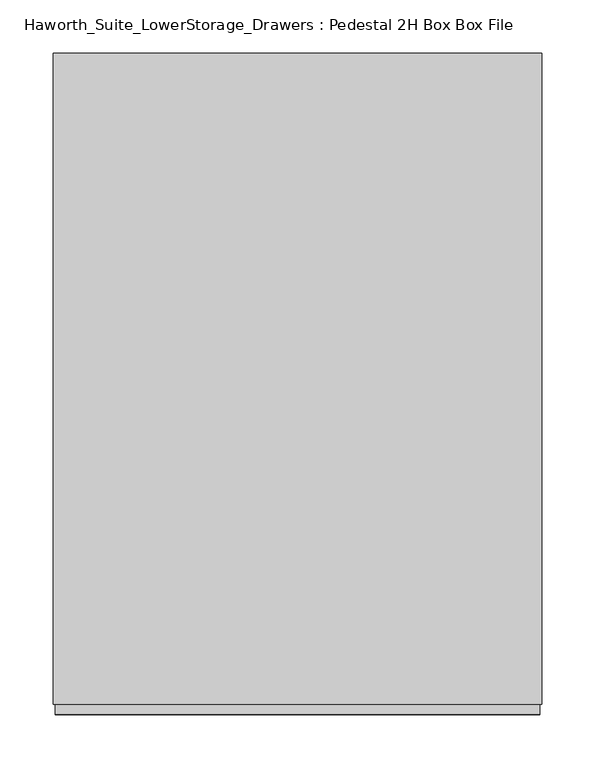
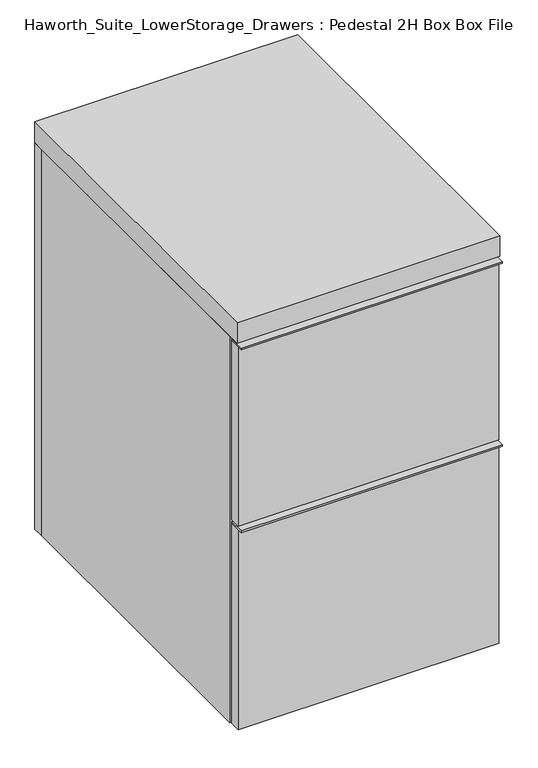
"""IFC4 building model written with IfcOpenShell, lengths in millimetres: furniture geometry, Haworth_Suite_LowerStorage_Drawers : Pedestal 2H Box Box File."""

from ifc_helpers import new_model, si_unit, frame, origin, origin_with_axes, place, context, project, spatial, polyline, outline, extrude, source, transform, mapped, element, save


def haworth_suite_lowerstorage_drawers_pedestal_2h_box_box_file_8ae85c01(model_context):
    return source(origin(), model_context, "Body", "SweptSolid", [
        extrude(outline(polyline([(214.3125, -631.825), (-239.7125, -631.825), (-239.7125, -603.25), (214.3125, -603.25), (214.3125, -631.825)])), frame((0.0, 0.0, 704.85), z_axis=(0.0, 0.0, 1.0), x_axis=(1.0, 0.0, 0.0)), (0.0, 0.0, 1.0), 3.175),
        extrude(outline(polyline([(214.3125, -603.25), (214.3125, -622.3), (-239.7125, -622.3), (-239.7125, -603.25), (214.3125, -603.25)])), frame((0.0, 0.0, 374.65), z_axis=(0.0, 0.0, 1.0), x_axis=(1.0, 0.0, 0.0)), (0.0, 0.0, 1.0), 330.2),
        extrude(outline(polyline([(214.3125, -631.825), (-239.7125, -631.825), (-239.7125, -603.25), (214.3125, -603.25), (214.3125, -631.825)])), frame((0.0, 0.0, 368.3), z_axis=(0.0, 0.0, 1.0), x_axis=(1.0, 0.0, 0.0)), (0.0, 0.0, 1.0), 3.175),
        extrude(outline(polyline([(214.3125, -603.25), (214.3125, -622.3), (-239.7125, -622.3), (-239.7125, -603.25), (214.3125, -603.25)])), origin_with_axes(), (0.0, 0.0, 1.0), 368.3),
        extrude(outline(polyline([(177.8, -587.375), (177.8, -206.375), (190.5, -206.375), (190.5, -587.375), (177.8, -587.375)])), frame((0.0, 0.0, 539.75), z_axis=(0.0, 0.0, 1.0), x_axis=(1.0, 0.0, 0.0)), (0.0, 0.0, 1.0), 101.6),
        extrude(outline(polyline([(-215.9, -206.375), (-203.2, -206.375), (-203.2, -587.375), (-215.9, -587.375), (-215.9, -206.375)])), frame((0.0, 0.0, 539.75), z_axis=(0.0, 0.0, 1.0), x_axis=(1.0, 0.0, 0.0)), (0.0, 0.0, 1.0), 101.6),
        extrude(outline(polyline([(-215.9, -206.375), (-215.9, -193.675), (190.5, -193.675), (190.5, -206.375), (-215.9, -206.375)])), frame((0.0, 0.0, 539.75), z_axis=(0.0, 0.0, 1.0), x_axis=(1.0, 0.0, 0.0)), (0.0, 0.0, 1.0), 101.6),
        extrude(outline(polyline([(-215.9, -600.075), (-215.9, -587.375), (190.5, -587.375), (190.5, -600.075), (-215.9, -600.075)])), frame((0.0, 0.0, 539.75), z_axis=(0.0, 0.0, 1.0), x_axis=(1.0, 0.0, 0.0)), (0.0, 0.0, 1.0), 101.6),
        extrude(outline(polyline([(-203.2, -587.375), (-203.2, -206.375), (177.8, -206.375), (177.8, -587.375), (-203.2, -587.375)])), frame((0.0, 0.0, 539.75), z_axis=(0.0, 0.0, 1.0), x_axis=(1.0, 0.0, 0.0)), (0.0, 0.0, 1.0), 12.7),
        extrude(outline(polyline([(177.8, -587.375), (177.8, -206.375), (190.5, -206.375), (190.5, -587.375), (177.8, -587.375)])), frame((0.0, 0.0, 374.65), z_axis=(0.0, 0.0, 1.0), x_axis=(1.0, 0.0, 0.0)), (0.0, 0.0, 1.0), 101.6),
        extrude(outline(polyline([(-215.9, -206.375), (-203.2, -206.375), (-203.2, -587.375), (-215.9, -587.375), (-215.9, -206.375)])), frame((0.0, 0.0, 374.65), z_axis=(0.0, 0.0, 1.0), x_axis=(1.0, 0.0, 0.0)), (0.0, 0.0, 1.0), 101.6),
        extrude(outline(polyline([(-215.9, -206.375), (-215.9, -193.675), (190.5, -193.675), (190.5, -206.375), (-215.9, -206.375)])), frame((0.0, 0.0, 374.65), z_axis=(0.0, 0.0, 1.0), x_axis=(1.0, 0.0, 0.0)), (0.0, 0.0, 1.0), 101.6),
        extrude(outline(polyline([(-215.9, -600.075), (-215.9, -587.375), (190.5, -587.375), (190.5, -600.075), (-215.9, -600.075)])), frame((0.0, 0.0, 374.65), z_axis=(0.0, 0.0, 1.0), x_axis=(1.0, 0.0, 0.0)), (0.0, 0.0, 1.0), 101.6),
        extrude(outline(polyline([(-203.2, -587.375), (-203.2, -206.375), (177.8, -206.375), (177.8, -587.375), (-203.2, -587.375)])), frame((0.0, 0.0, 374.65), z_axis=(0.0, 0.0, 1.0), x_axis=(1.0, 0.0, 0.0)), (0.0, 0.0, 1.0), 12.7),
        extrude(outline(polyline([(177.8, -587.375), (177.8, -206.375), (190.5, -206.375), (190.5, -587.375), (177.8, -587.375)])), frame((0.0, 0.0, 50.8), z_axis=(0.0, 0.0, 1.0), x_axis=(1.0, 0.0, 0.0)), (0.0, 0.0, 1.0), 254.0),
        extrude(outline(polyline([(-215.9, -206.375), (-203.2, -206.375), (-203.2, -587.375), (-215.9, -587.375), (-215.9, -206.375)])), frame((0.0, 0.0, 50.8), z_axis=(0.0, 0.0, 1.0), x_axis=(1.0, 0.0, 0.0)), (0.0, 0.0, 1.0), 254.0),
        extrude(outline(polyline([(-215.9, -206.375), (-215.9, -193.675), (190.5, -193.675), (190.5, -206.375), (-215.9, -206.375)])), frame((0.0, 0.0, 50.8), z_axis=(0.0, 0.0, 1.0), x_axis=(1.0, 0.0, 0.0)), (0.0, 0.0, 1.0), 254.0),
        extrude(outline(polyline([(-215.9, -600.075), (-215.9, -587.375), (190.5, -587.375), (190.5, -600.075), (-215.9, -600.075)])), frame((0.0, 0.0, 50.8), z_axis=(0.0, 0.0, 1.0), x_axis=(1.0, 0.0, 0.0)), (0.0, 0.0, 1.0), 254.0),
        extrude(outline(polyline([(-203.2, -587.375), (-203.2, -206.375), (177.8, -206.375), (177.8, -587.375), (-203.2, -587.375)])), frame((0.0, 0.0, 50.8), z_axis=(0.0, 0.0, 1.0), x_axis=(1.0, 0.0, 0.0)), (0.0, 0.0, 1.0), 12.7),
        extrude(outline(polyline([(215.9, -12.7), (215.9, -622.3), (-241.3, -622.3), (-241.3, -12.7), (215.9, -12.7)])), frame((0.0, 0.0, 711.2), z_axis=(0.0, 0.0, 1.0), x_axis=(1.0, 0.0, 0.0)), (0.0, 0.0, 1.0), 38.1),
        extrude(outline(polyline([(692.15, 196.85), (692.15, -222.25), (38.1, -222.25), (38.1, 196.85), (692.15, 196.85)]), holes=[polyline([(590.55, 95.25), (139.7, 95.25), (139.7, -120.65), (590.55, -120.65), (590.55, 95.25)])]), frame((0.0, -152.4, 0.0), z_axis=(0.0, 1.0, 0.0), x_axis=(0.0, 0.0, 1.0)), (0.0, 0.0, 1.0), 19.05),
        extrude(outline(polyline([(215.9, -12.7), (215.9, -31.75), (-241.3, -31.75), (-241.3, -12.7), (215.9, -12.7)])), origin_with_axes(), (0.0, 0.0, 1.0), 711.2),
        extrude(outline(polyline([(196.85, -133.35), (196.85, -501.65), (-222.25, -501.65), (-222.25, -133.35), (196.85, -133.35)])), frame((0.0, 0.0, 692.15), z_axis=(0.0, 0.0, 1.0), x_axis=(1.0, 0.0, 0.0)), (0.0, 0.0, 1.0), 19.05),
        extrude(outline(polyline([(196.85, -31.75), (196.85, -600.075), (-222.25, -600.075), (-222.25, -31.75), (196.85, -31.75)])), origin_with_axes(), (0.0, 0.0, 1.0), 38.1),
        extrude(outline(polyline([(-222.25, -31.75), (-222.25, -600.075), (-241.3, -600.075), (-241.3, -31.75), (-222.25, -31.75)])), origin_with_axes(), (0.0, 0.0, 1.0), 711.2),
        extrude(outline(polyline([(215.9, -600.075), (196.85, -600.075), (196.85, -31.75), (215.9, -31.75), (215.9, -600.075)])), origin_with_axes(), (0.0, 0.0, 1.0), 711.2),
    ])


if __name__ == "__main__":
    model = new_model("IFC4")
    model_context = context("Model", 3, world=origin())
    ifc_project = project(units=[si_unit("LENGTHUNIT", "METRE", prefix="MILLI")], contexts=[model_context])
    site = spatial("IfcSite", under=ifc_project)
    building = spatial("IfcBuilding", under=site)
    placement = place(None, origin())
    haworth_suite_lowerstorage_drawers_pedestal_2h_box_box_file_shape = haworth_suite_lowerstorage_drawers_pedestal_2h_box_box_file_8ae85c01(model_context)
    element("IfcFurniture", 1, ObjectType="Haworth_Suite_LowerStorage_Drawers : Pedestal 2H Box Box File", at=placement, inside=building, context=model_context, shape_type="MappedRepresentation", body=[
        mapped(haworth_suite_lowerstorage_drawers_pedestal_2h_box_box_file_shape, transform((0.0, 0.0, 0.0), x_axis=(1.0, 0.0, 0.0), y_axis=(0.0, 1.0, 0.0), z_axis=(0.0, 0.0, 1.0))),
    ])
    save(model, "model.ifc")
